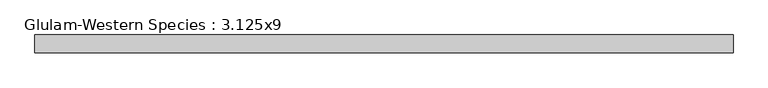
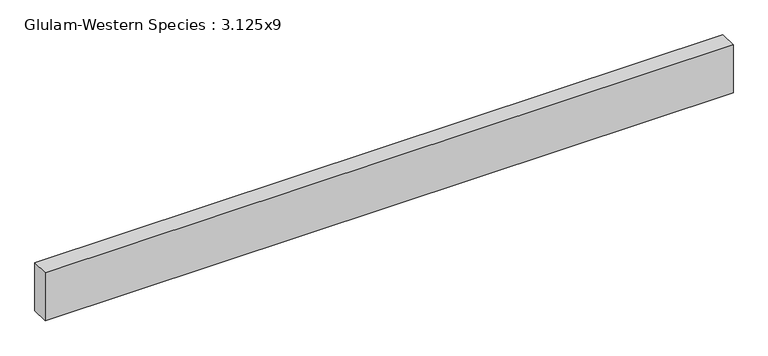
"""IFC4 building model written with IfcOpenShell, lengths in millimetres: beam geometry, Glulam-Western Species : 3.125x9."""

from ifc_helpers import new_model, si_unit, frame, origin, place, context, project, spatial, polyline, outline, extrude, source, transform, mapped, element, save


def glulam_western_species_3_125x9_89679916(model_context):
    return source(origin(), model_context, "Body", "SweptSolid", [
        extrude(outline(polyline([(1553.2476435, 39.6875), (1553.2476435, -39.6875), (-1553.2476435, -39.6875), (-1553.2476435, 39.6875), (1553.2476435, 39.6875)])), frame((0.0, 0.0, -114.3), z_axis=(0.0, 0.0, 1.0), x_axis=(1.0, 0.0, 0.0)), (0.0, 0.0, 1.0), 228.6),
    ])


if __name__ == "__main__":
    model = new_model("IFC4")
    model_context = context("Model", 3, world=origin())
    ifc_project = project(units=[si_unit("LENGTHUNIT", "METRE", prefix="MILLI")], contexts=[model_context])
    site = spatial("IfcSite", under=ifc_project)
    building = spatial("IfcBuilding", under=site)
    placement = place(None, origin())
    glulam_western_species_3_125x9_shape = glulam_western_species_3_125x9_89679916(model_context)
    element("IfcBeam", 1, ObjectType="Glulam-Western Species : 3.125x9", at=placement, inside=building, context=model_context, shape_type="MappedRepresentation", body=[
        mapped(glulam_western_species_3_125x9_shape, transform((0.0, 0.0, 0.0), x_axis=(1.0, 0.0, 0.0), y_axis=(0.0, 1.0, 0.0), z_axis=(0.0, 0.0, 1.0))),
    ])
    save(model, "model.ifc")
